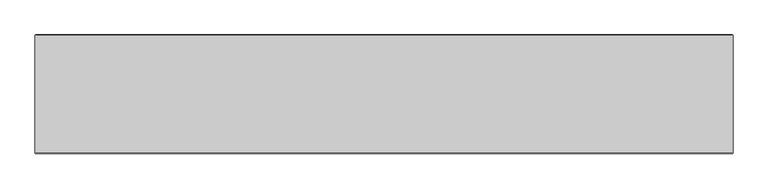
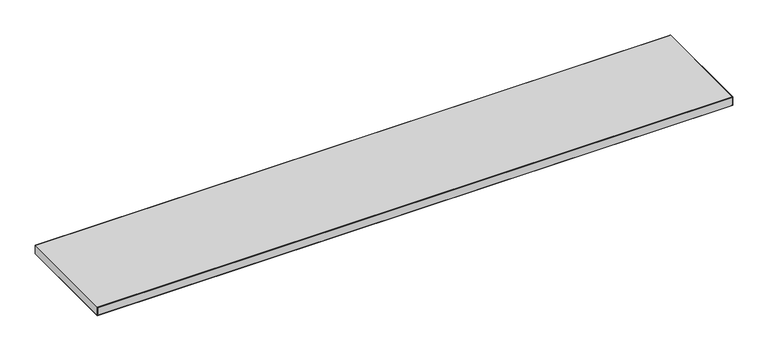
"""IFC4 building model written with IfcOpenShell, lengths in millimetres: furniture geometry."""

from ifc_helpers import new_model, si_unit, origin, place, context, project, spatial, triangles, source, transform, mapped, element, save


def furniture_dd3c185c(model_context):
    return source(origin(), model_context, "Body", "Tessellation", [
        triangles([(1828.0379826, -311.1500121, -0.762), (1828.0379826, -310.3879947, 0.0), (0.762, -310.3879947, 0.0), (0.762, -311.1500121, -0.762), (0.762, -311.1500121, -24.6379992), (0.0, -310.3879947, -0.762), (0.0, -310.3879947, -24.6379992), (0.0, -0.762, -24.6379992), (0.0, -0.762, -0.762), (1828.0379826, -0.762, 0.0), (0.762, -0.762, 0.0), (1828.8, -0.762, -0.762), (1828.8, -310.3879947, -0.762), (1828.8, -310.3879947, -24.6379992), (1828.8, -0.762, -24.6379992), (1828.0379826, 0.0, -24.6379992), (1828.0379826, 0.0, -0.762), (1828.0379826, -0.762, -25.4000008), (0.762, -0.762, -25.4000008), (0.762, 0.0, -24.6379992), (0.762, 0.0, -0.762), (1828.0379826, -311.1500121, -24.6379992), (0.762, -310.3879947, -25.4000008), (1828.0379826, -310.3879947, -25.4000008)], [[1, 2, 3], [1, 3, 4], [5, 4, 6], [5, 6, 7], [8, 7, 6], [8, 6, 9], [10, 11, 3], [10, 3, 2], [12, 13, 14], [12, 14, 15], [16, 17, 12], [16, 12, 15], [16, 18, 19], [16, 19, 20], [21, 20, 8], [21, 8, 9], [21, 11, 10], [21, 10, 17], [14, 13, 1], [14, 1, 22], [22, 1, 4], [22, 4, 5], [3, 6, 4], [9, 6, 3], [9, 3, 11], [9, 11, 21], [20, 19, 8], [10, 12, 17], [12, 10, 2], [12, 2, 13], [1, 13, 2], [16, 15, 18], [5, 23, 24], [5, 24, 22], [5, 7, 23], [22, 24, 14], [24, 23, 19], [24, 19, 18], [19, 23, 7], [19, 7, 8], [14, 24, 18], [14, 18, 15]], closed=False),
    ])


if __name__ == "__main__":
    model = new_model("IFC4")
    model_context = context("Model", 3, world=origin())
    ifc_project = project(units=[si_unit("LENGTHUNIT", "METRE", prefix="MILLI")], contexts=[model_context])
    site = spatial("IfcSite", under=ifc_project)
    building = spatial("IfcBuilding", under=site)
    placement = place(None, origin())
    furniture_shape = furniture_dd3c185c(model_context)
    element("IfcFurniture", 1, at=placement, inside=building, context=model_context, shape_type="MappedRepresentation", body=[
        mapped(furniture_shape, transform((0.0, 0.0, 0.0), x_axis=(1.0, 0.0, 0.0), y_axis=(0.0, 1.0, 0.0), z_axis=(0.0, 0.0, 1.0))),
    ])
    save(model, "model.ifc")
